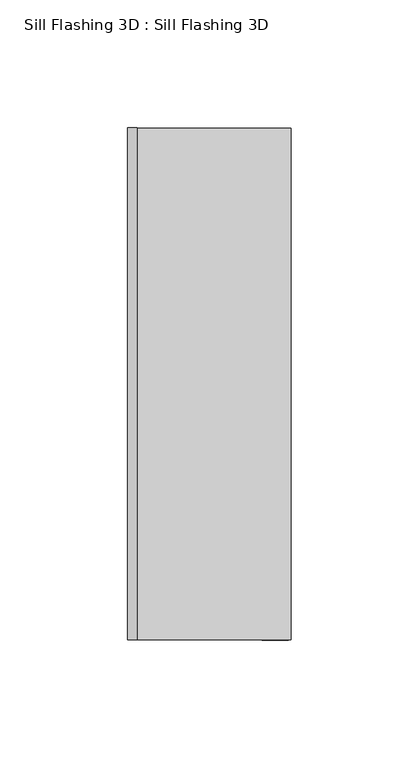
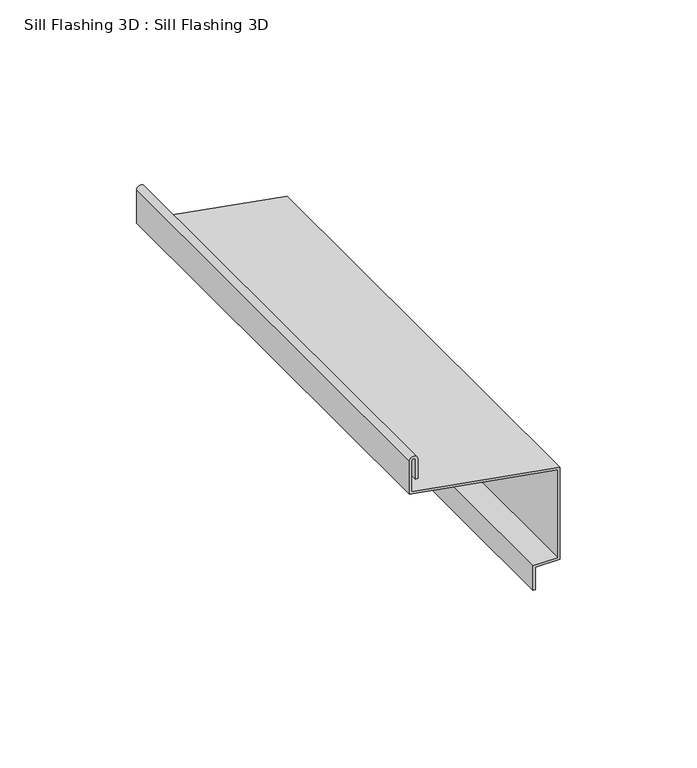
"""IFC4 building model written with IfcOpenShell, lengths in millimetres: proxy geometry, Sill Flashing 3D : Sill Flashing 3D."""

from ifc_helpers import new_model, si_unit, point, frame, frame_2d, origin, place, context, project, spatial, polyline, circle_curve, trimmed, segment, composite_curve, outline, extrude, source, transform, mapped, element, save


def sill_flashing_3d_sill_flashing_3d_6b90cc20(model_context):
    return source(origin(), model_context, "Body", "SweptSolid", [
        extrude(outline(composite_curve([segment(trimmed(circle_curve(frame_2d((68.9453555, -21.8138599)), 0.7866723), [point((68.9453555, -22.6005322))], [point((68.9453555, -21.0271876))], True, "CARTESIAN"), True, "CONTINUOUS"), segment(polyline([(68.9453555, -21.0271876), (60.2453555, -21.0271876), (60.2453555, -20.0271876), (68.9453555, -20.0271876)]), True, "CONTINUOUS"), segment(trimmed(circle_curve(frame_2d((68.9453555, -21.8138599)), 1.7866723), [point((68.9453555, -20.0271876))], [point((68.9453555, -23.6005322))], False, "CARTESIAN"), True, "CONTINUOUS"), segment(polyline([(68.9453555, -23.6005322), (54.3667809, -23.6005322), (43.2933296, 39.2001308), (4.0686352, 39.2001308), (4.0686352, 28.7501308), (-6.9313648, 28.7501308), (-6.9313648, 29.7501308), (3.0686352, 29.7501308), (3.0686352, 40.2001308), (44.1324292, 40.2001308), (55.2058805, -22.6005322), (68.9453555, -22.6005322)]), True, "CONTINUOUS")], self_intersect=False)), frame((0.0, -100.0, 0.0), z_axis=(0.0, 1.0, 0.0), x_axis=(0.0, 0.0, 1.0)), (0.0, 0.0, 1.0), 200.0),
    ])


if __name__ == "__main__":
    model = new_model("IFC4")
    model_context = context("Model", 3, world=origin())
    ifc_project = project(units=[si_unit("LENGTHUNIT", "METRE", prefix="MILLI")], contexts=[model_context])
    site = spatial("IfcSite", under=ifc_project)
    building = spatial("IfcBuilding", under=site)
    placement = place(None, origin())
    sill_flashing_3d_sill_flashing_3d_shape = sill_flashing_3d_sill_flashing_3d_6b90cc20(model_context)
    element("IfcBuildingElementProxy", 1, Name="Sill Flashing 3D : Sill Flashing 3D", ObjectType="Sill Flashing 3D : Sill Flashing 3D", at=placement, inside=building, context=model_context, shape_type="MappedRepresentation", body=[
        mapped(sill_flashing_3d_sill_flashing_3d_shape, transform((0.0, 0.0, 0.0), x_axis=(1.0, 0.0, 0.0), y_axis=(0.0, 1.0, 0.0), z_axis=(0.0, 0.0, 1.0))),
    ])
    save(model, "model.ifc")
